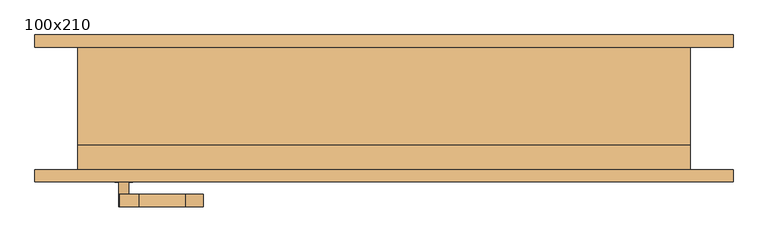
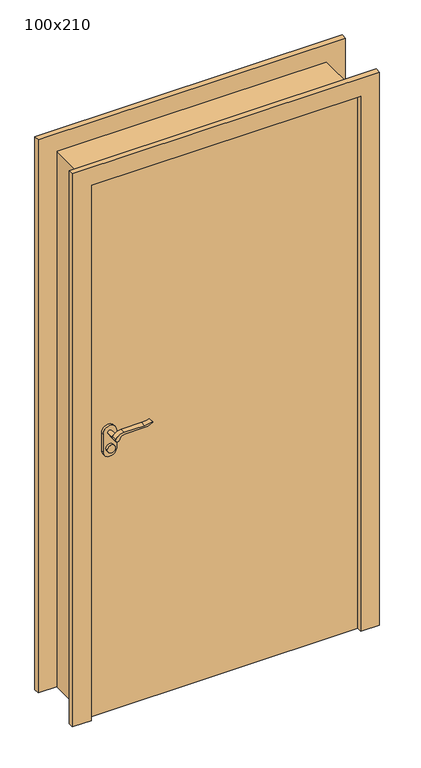
"""IFC4 building model written with IfcOpenShell, lengths in millimetres: door geometry, 100x210."""

from ifc_helpers import new_model, si_unit, point, frame, frame_2d, origin, origin_with_axes, place, context, project, spatial, polyline, circle_curve, trimmed, segment, composite_curve, outline, extrude, source, transform, mapped, element, save


def door_100x210_03aab73c(model_context):
    return source(origin(), model_context, "Body", "SweptSolid", [
        extrude(outline(composite_curve([segment(trimmed(circle_curve(frame_2d((1040.0, -425.0)), 15.0), [point((1040.0, -410.0))], [point((1040.0, -440.0))], False, "CARTESIAN"), True, "CONTINUOUS"), segment(trimmed(circle_curve(frame_2d((1040.0, -425.0)), 15.0), [point((1040.0, -440.0))], [point((1040.0, -410.0))], False, "CARTESIAN"), True, "CONTINUOUS")], self_intersect=False)), frame((0.0, -50.0, 0.0), z_axis=(0.0, 1.0, 0.0), x_axis=(0.0, 0.0, 1.0)), (0.0, 0.0, 1.0), 10.0),
        extrude(outline(composite_curve([segment(trimmed(circle_curve(frame_2d((1040.0, -425.0)), 15.0), [point((1040.0, -410.0))], [point((1040.0, -440.0))], False, "CARTESIAN"), True, "CONTINUOUS"), segment(trimmed(circle_curve(frame_2d((1040.0, -425.0)), 15.0), [point((1040.0, -440.0))], [point((1040.0, -410.0))], False, "CARTESIAN"), True, "CONTINUOUS")], self_intersect=False)), frame((0.0, -120.0, 0.0), z_axis=(0.0, 1.0, 0.0), x_axis=(0.0, 0.0, 1.0)), (0.0, 0.0, 1.0), 10.0),
        extrude(outline(composite_curve([segment(trimmed(circle_curve(frame_2d((1100.0, -425.0)), 8.0), [point((1104.6523287, -431.5081363))], [point((1100.0, -417.0))], False, "CARTESIAN"), True, "CONTINUOUS"), segment(trimmed(circle_curve(frame_2d((1094.8738613, -399.6138099)), 18.1261387), [point((1100.0, -417.0))], [point((1113.0, -399.6138099))], True, "CARTESIAN"), True, "CONTINUOUS"), segment(polyline([(1113.0, -399.6138099), (1113.0, -323.3564091)]), True, "CONTINUOUS"), segment(trimmed(circle_curve(frame_2d((1172.2709207, -326.9396612)), 59.3791355), [point((1113.0, -323.3564091))], [point((1122.2135558, -295.0))], False, "CARTESIAN"), True, "CONTINUOUS"), segment(polyline([(1122.2135558, -295.0), (1125.0, -295.0)]), True, "CONTINUOUS"), segment(trimmed(circle_curve(frame_2d((1203.2850638, -323.4227909)), 83.2850902), [point((1125.0, -295.0))], [point((1120.0, -323.3564091))], True, "CARTESIAN"), True, "CONTINUOUS"), segment(polyline([(1120.0, -323.3564091), (1120.0, -399.6325667)]), True, "CONTINUOUS"), segment(trimmed(circle_curve(frame_2d((1082.7555521, -401.3324871)), 37.2832219), [point((1120.0, -399.6325667))], [point((1104.6523287, -431.5081363))], False, "CARTESIAN"), True, "CONTINUOUS")], self_intersect=False)), frame((0.0, -20.0, 0.0), z_axis=(0.0, 1.0, 0.0), x_axis=(0.0, 0.0, 1.0)), (0.0, 0.0, 1.0), 20.0),
        extrude(outline(composite_curve([segment(trimmed(circle_curve(frame_2d((1094.8738682, -399.6138122)), 18.1261318), [point((1099.9999903, -417.0))], [point((1113.0, -399.6138122))], True, "CARTESIAN"), True, "CONTINUOUS"), segment(polyline([(1113.0, -399.6138122), (1113.0, -323.3564091)]), True, "CONTINUOUS"), segment(trimmed(circle_curve(frame_2d((1172.2709207, -326.9396612)), 59.3791355), [point((1113.0, -323.3564091))], [point((1122.2135558, -295.0))], False, "CARTESIAN"), True, "CONTINUOUS"), segment(polyline([(1122.2135558, -295.0), (1125.0, -295.0)]), True, "CONTINUOUS"), segment(trimmed(circle_curve(frame_2d((1203.2850638, -323.4227909)), 83.2850902), [point((1125.0, -295.0))], [point((1120.0, -323.3564091))], True, "CARTESIAN"), True, "CONTINUOUS"), segment(polyline([(1120.0, -323.3564091), (1120.0, -399.6325667)]), True, "CONTINUOUS"), segment(trimmed(circle_curve(frame_2d((1082.7555521, -401.3324871)), 37.2832219), [point((1120.0, -399.6325667))], [point((1104.6523287, -431.5081363))], False, "CARTESIAN"), True, "CONTINUOUS"), segment(trimmed(circle_curve(frame_2d((1100.0, -425.0)), 8.0), [point((1104.6523287, -431.5081363))], [point((1099.9999903, -417.0))], False, "CARTESIAN"), True, "CONTINUOUS")], self_intersect=False)), frame((0.0, -160.0, 0.0), z_axis=(0.0, 1.0, 0.0), x_axis=(0.0, 0.0, 1.0)), (0.0, 0.0, 1.0), 20.0),
        extrude(outline(composite_curve([segment(trimmed(circle_curve(frame_2d((1100.0, -425.0)), 8.0), [point((1100.0, -417.0))], [point((1100.0, -433.0))], False, "CARTESIAN"), True, "CONTINUOUS"), segment(trimmed(circle_curve(frame_2d((1100.0, -425.0)), 8.0), [point((1100.0, -433.0))], [point((1100.0, -417.0))], False, "CARTESIAN"), True, "CONTINUOUS")], self_intersect=False)), frame((0.0, -50.0, 0.0), z_axis=(0.0, 1.0, 0.0), x_axis=(0.0, 0.0, 1.0)), (0.0, 0.0, 1.0), 30.0),
        extrude(outline(composite_curve([segment(trimmed(circle_curve(frame_2d((1100.0, -425.0)), 8.0), [point((1100.0, -417.0))], [point((1100.0, -433.0))], False, "CARTESIAN"), True, "CONTINUOUS"), segment(trimmed(circle_curve(frame_2d((1100.0, -425.0)), 8.0), [point((1100.0, -433.0))], [point((1100.0, -417.0))], False, "CARTESIAN"), True, "CONTINUOUS")], self_intersect=False)), frame((0.0, -140.0, 0.0), z_axis=(0.0, 1.0, 0.0), x_axis=(0.0, 0.0, 1.0)), (0.0, 0.0, 1.0), 30.0),
        extrude(outline(composite_curve([segment(trimmed(circle_curve(frame_2d((1030.0, -425.0)), 25.0), [point((1030.0, -450.0))], [point((1030.0, -400.0))], False, "CARTESIAN"), True, "CONTINUOUS"), segment(polyline([(1030.0, -400.0), (1100.0, -400.0)]), True, "CONTINUOUS"), segment(trimmed(circle_curve(frame_2d((1100.0, -425.0)), 25.0), [point((1100.0, -400.0))], [point((1100.0, -450.0))], False, "CARTESIAN"), True, "CONTINUOUS"), segment(polyline([(1100.0, -450.0), (1030.0, -450.0)]), True, "CONTINUOUS")], self_intersect=False)), frame((0.0, -60.0, 0.0), z_axis=(0.0, 1.0, 0.0), x_axis=(0.0, 0.0, 1.0)), (0.0, 0.0, 1.0), 10.0),
        extrude(outline(composite_curve([segment(trimmed(circle_curve(frame_2d((1030.0, -425.0)), 25.0), [point((1030.0, -450.0))], [point((1030.0, -400.0))], False, "CARTESIAN"), True, "CONTINUOUS"), segment(polyline([(1030.0, -400.0), (1100.0, -400.0)]), True, "CONTINUOUS"), segment(trimmed(circle_curve(frame_2d((1100.0, -425.0)), 25.0), [point((1100.0, -400.0))], [point((1100.0, -450.0))], False, "CARTESIAN"), True, "CONTINUOUS"), segment(polyline([(1100.0, -450.0), (1030.0, -450.0)]), True, "CONTINUOUS")], self_intersect=False)), frame((0.0, -110.0, 0.0), z_axis=(0.0, 1.0, 0.0), x_axis=(0.0, 0.0, 1.0)), (0.0, 0.0, 1.0), 10.0),
        extrude(outline(polyline([(500.0, -60.0), (500.0, -100.0), (-500.0, -100.0), (-500.0, -60.0), (500.0, -60.0)])), origin_with_axes(), (0.0, 0.0, 1.0), 2100.0),
        extrude(outline(polyline([(0.0, 490.0), (0.0, 500.0), (2100.0, 500.0), (2100.0, -500.0), (0.0, -500.0), (0.0, -490.0), (2090.0, -490.0), (2090.0, 490.0), (0.0, 490.0)])), frame((0.0, -60.0, 0.0), z_axis=(0.0, 1.0, 0.0), x_axis=(0.0, 0.0, 1.0)), (0.0, 0.0, 1.0), 160.0),
        extrude(outline(polyline([(0.0, 500.0), (0.0, 570.0), (2170.0, 570.0), (2170.0, -570.0), (0.0, -570.0), (0.0, -500.0), (2100.0, -500.0), (2100.0, 500.0), (0.0, 500.0)])), frame((0.0, -120.0, 0.0), z_axis=(0.0, 1.0, 0.0), x_axis=(0.0, 0.0, 1.0)), (0.0, 0.0, 1.0), 20.0),
        extrude(outline(polyline([(0.0, 500.0), (0.0, 570.0), (2170.0, 570.0), (2170.0, -570.0), (0.0, -570.0), (0.0, -500.0), (2100.0, -500.0), (2100.0, 500.0), (0.0, 500.0)])), frame((0.0, 100.0, 0.0), z_axis=(0.0, 1.0, 0.0), x_axis=(0.0, 0.0, 1.0)), (0.0, 0.0, 1.0), 20.0),
    ])


if __name__ == "__main__":
    model = new_model("IFC4")
    model_context = context("Model", 3, world=origin())
    ifc_project = project(units=[si_unit("LENGTHUNIT", "METRE", prefix="MILLI")], contexts=[model_context])
    site = spatial("IfcSite", under=ifc_project)
    building = spatial("IfcBuilding", under=site)
    placement = place(None, origin())
    door_100x210_shape = door_100x210_03aab73c(model_context)
    element("IfcDoor", 1, ObjectType="100x210", at=placement, inside=building, context=model_context, shape_type="MappedRepresentation", body=[
        mapped(door_100x210_shape, transform((0.0, 0.0, 0.0), x_axis=(1.0, 0.0, 0.0), y_axis=(0.0, 1.0, 0.0), z_axis=(0.0, 0.0, 1.0))),
    ])
    save(model, "model.ifc")
